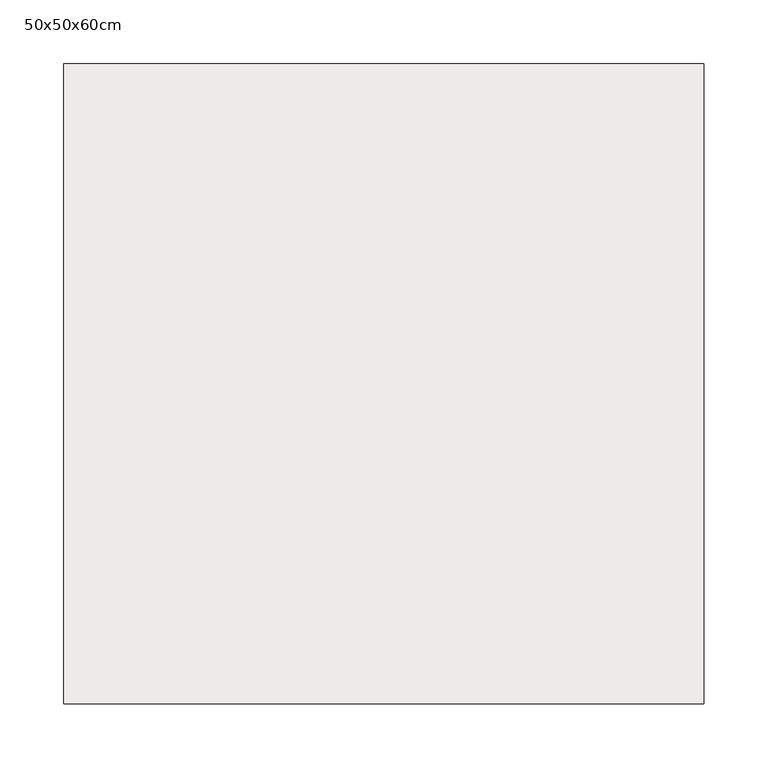
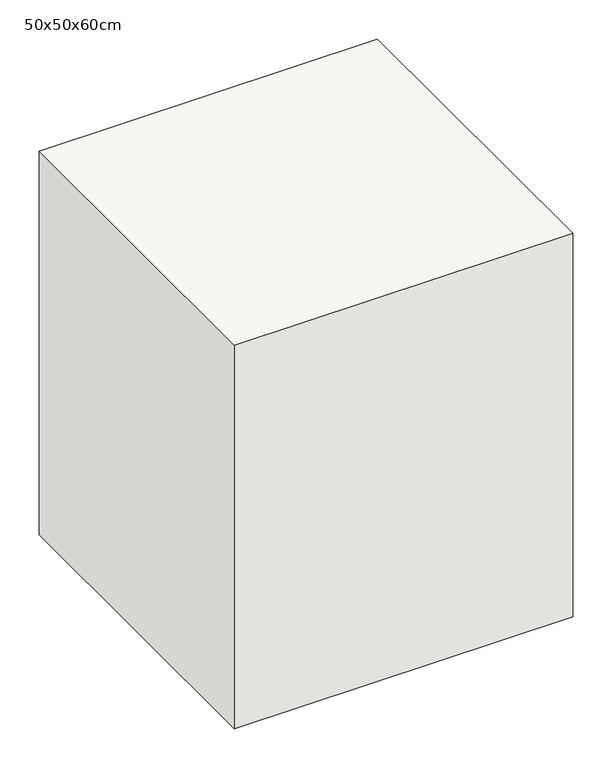
"""IFC4 building model written with IfcOpenShell, lengths in millimetres: slab geometry, 50x50x60cm."""

from ifc_helpers import new_model, si_unit, frame, origin, place, context, project, spatial, polyline, outline, extrude, source, transform, mapped, element, save


def slab_50x50x60cm_f04b624d(model_context):
    return source(origin(), model_context, "Body", "SweptSolid", [
        extrude(outline(polyline([(250.0, 250.0), (250.0, -250.0), (-250.0, -250.0), (-250.0, 250.0), (250.0, 250.0)])), frame((0.0, 0.0, -600.0), z_axis=(0.0, 0.0, 1.0), x_axis=(1.0, 0.0, 0.0)), (0.0, 0.0, 1.0), 600.0),
    ])


if __name__ == "__main__":
    model = new_model("IFC4")
    model_context = context("Model", 3, world=origin())
    ifc_project = project(units=[si_unit("LENGTHUNIT", "METRE", prefix="MILLI")], contexts=[model_context])
    site = spatial("IfcSite", under=ifc_project)
    building = spatial("IfcBuilding", under=site)
    placement = place(None, origin())
    slab_50x50x60cm_shape = slab_50x50x60cm_f04b624d(model_context)
    element("IfcSlab", 1, ObjectType="50x50x60cm", at=placement, inside=building, context=model_context, shape_type="MappedRepresentation", body=[
        mapped(slab_50x50x60cm_shape, transform((0.0, 0.0, 0.0), x_axis=(1.0, 0.0, 0.0), y_axis=(0.0, 1.0, 0.0), z_axis=(0.0, 0.0, 1.0))),
    ])
    save(model, "model.ifc")
